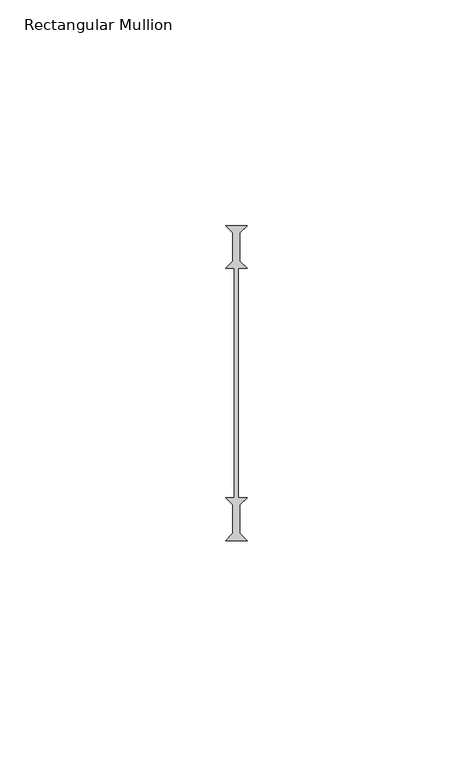
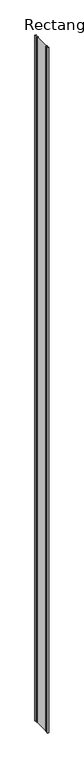
"""IFC4 building model written with IfcOpenShell, lengths in millimetres: member geometry, Rectangular Mullion."""

from ifc_helpers import new_model, si_unit, frame, origin, place, context, project, spatial, polyline, outline, extrude, source, transform, mapped, element, save


def rectangular_mullion_06a25fe7(model_context):
    return source(origin(), model_context, "Body", "SweptSolid", [
        extrude(outline(polyline([(-2.38125, -34.925), (-0.79375, -33.3375), (-0.79375, -26.9875), (-2.38125, -25.4), (-0.396875, -25.4), (-0.396875, 25.4), (-2.38125, 25.4), (-0.79375, 26.9875), (-0.79375, 33.3375), (-2.38125, 34.925), (2.38125, 34.925), (0.79375, 33.3375), (0.79375, 26.9875), (2.38125, 25.4), (0.396875, 25.4), (0.396875, -25.4), (2.38125, -25.4), (0.79375, -26.9875), (0.79375, -33.3375), (2.38125, -34.925), (-2.38125, -34.925)])), frame((0.0, 0.0, -2359.025), z_axis=(0.0, 0.0, 1.0), x_axis=(1.0, 0.0, 0.0)), (0.0, 0.0, 1.0), 2359.025),
    ])


if __name__ == "__main__":
    model = new_model("IFC4")
    model_context = context("Model", 3, world=origin())
    ifc_project = project(units=[si_unit("LENGTHUNIT", "METRE", prefix="MILLI")], contexts=[model_context])
    site = spatial("IfcSite", under=ifc_project)
    building = spatial("IfcBuilding", under=site)
    placement = place(None, origin())
    rectangular_mullion_shape = rectangular_mullion_06a25fe7(model_context)
    element("IfcMember", 1, ObjectType="Rectangular Mullion", at=placement, inside=building, context=model_context, shape_type="MappedRepresentation", body=[
        mapped(rectangular_mullion_shape, transform((0.0, 0.0, 0.0), x_axis=(1.0, 0.0, 0.0), y_axis=(0.0, 1.0, 0.0), z_axis=(0.0, 0.0, 1.0))),
    ])
    save(model, "model.ifc")
